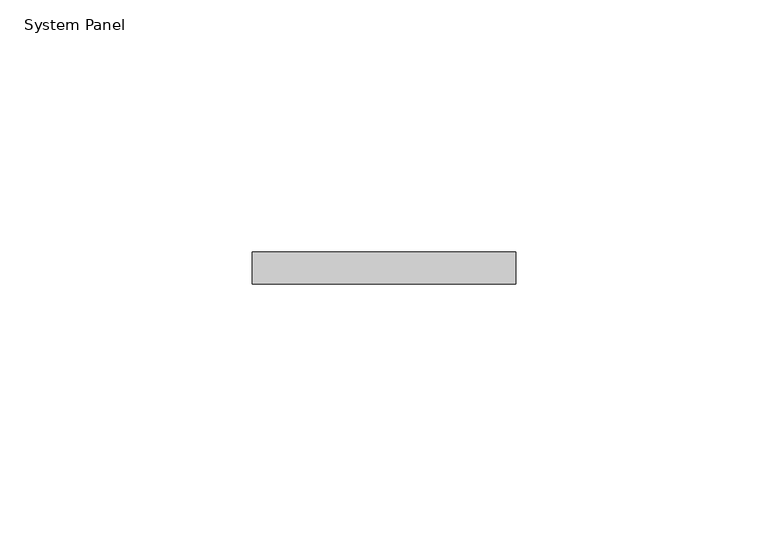
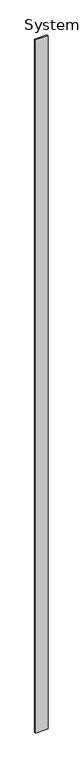
"""IFC4 building model written with IfcOpenShell, lengths in millimetres: plate geometry, System Panel."""

from ifc_helpers import new_model, si_unit, origin, origin_with_axes, place, context, project, spatial, polyline, outline, extrude, source, transform, mapped, element, save


def system_panel_9e4e36b8(model_context):
    return source(origin(), model_context, "Body", "SweptSolid", [
        extrude(outline(polyline([(26.1358645, 0.0), (-26.1358645, 0.0), (-26.1358645, 6.35), (26.1358645, 6.35), (26.1358645, 0.0)])), origin_with_axes(), (0.0, 0.0, 1.0), 3048.0),
    ])


if __name__ == "__main__":
    model = new_model("IFC4")
    model_context = context("Model", 3, world=origin())
    ifc_project = project(units=[si_unit("LENGTHUNIT", "METRE", prefix="MILLI")], contexts=[model_context])
    site = spatial("IfcSite", under=ifc_project)
    building = spatial("IfcBuilding", under=site)
    placement = place(None, origin())
    system_panel_shape = system_panel_9e4e36b8(model_context)
    element("IfcPlate", 1, ObjectType="System Panel", at=placement, inside=building, context=model_context, shape_type="MappedRepresentation", body=[
        mapped(system_panel_shape, transform((0.0, 0.0, 0.0), x_axis=(1.0, 0.0, 0.0), y_axis=(0.0, 1.0, 0.0), z_axis=(0.0, 0.0, 1.0))),
    ])
    save(model, "model.ifc")
